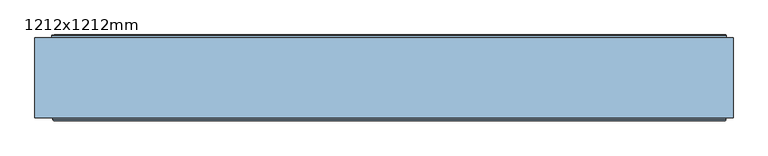
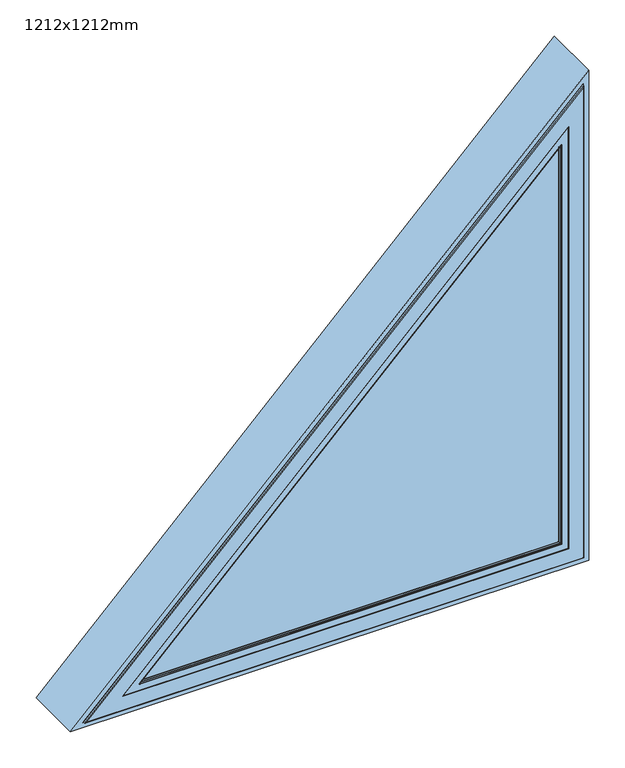
"""IFC4 building model written with IfcOpenShell, lengths in millimetres: window geometry, 1212x1212mm."""

from ifc_helpers import new_model, si_unit, frame, origin, place, context, project, spatial, polyline, ellipse_curve, outline, extrude, faceted_brep, source, transform, mapped, element, save
from ifc_brep_helpers import plane_surface, cylinder_surface, revolved_surface, advanced_brep


def window_1212x1212mm_28f95afa(model_context):
    return source(origin(), model_context, "Body", "SolidModel", [
        extrude(outline(polyline([(800.0, -606.0), (800.0, 606.0), (2012.0, 606.0), (800.0, -606.0)]), holes=[polyline([(812.0, -577.0294373), (1983.0294373, 594.0), (812.0, 594.0), (812.0, -577.0294373)])]), frame((0.0, -149.0000016, 0.0), z_axis=(0.0, 1.0, 0.0), x_axis=(0.0, 0.0, 1.0)), (0.0, 0.0, 1.0), 139.0),
        extrude(outline(polyline([(1892.5304063, 556.514074), (849.485926, -486.5304063), (849.485926, 556.514074), (1892.5304063, 556.514074)])), frame((0.0, -146.5000019, 0.0), z_axis=(0.0, 1.0, 0.0), x_axis=(0.0, 0.0, 1.0)), (0.0, 0.0, 1.0), 28.0000001),
        advanced_brep(
        [(-552.8873016, -6.5000014, 822.0), (584.0, -6.5000014, 822.0), (585.5, -5.0000014, 820.5), (-556.508622, -5.0000014, 820.5), (-552.8873016, -142.5000016, 822.0), (584.0, -142.5000016, 822.0), (-577.0294373, -6.5000014, 812.0), (594.0, -6.5000014, 812.0), (594.0, -142.5000016, 812.0), (-577.0294373, -142.5000016, 812.0), (-573.4081169, -5.0000014, 813.5), (592.5, -5.0000014, 813.5), (584.0, -6.5000014, 1958.8873016), (585.5, -5.0000014, 1962.508622), (584.0, -142.5000016, 1958.8873016), (594.0, -6.5000014, 1983.0294373), (594.0, -142.5000016, 1983.0294373), (592.5, -5.0000014, 1979.4081169)],
        [
            (0, 1),
            (1, 2, ellipse_curve(frame((585.5, -6.5000014, 820.5), z_axis=(-0.7071067811865475, 0.0, -0.7071067811865475), x_axis=(-0.7071067811865476, 0.0, 0.7071067811865474)), 2.1213203, 1.5)),
            (2, 3),
            (3, 0, ellipse_curve(frame((-556.508622, -6.5000014, 820.5), z_axis=(0.3826834323650913, 0.0, -0.9238795325112863), x_axis=(-0.9238795325112862, 0.0, -0.38268343236509134)), 3.9196889, 1.5)),
            (4, 5),
            (5, 1),
            (0, 4),
            (6, 7),
            (7, 8),
            (8, 9),
            (9, 6),
            (10, 11),
            (11, 7, ellipse_curve(frame((592.5, -6.5000014, 813.5), z_axis=(-0.7071067811865475, 0.0, -0.7071067811865475), x_axis=(-0.7071067811865476, 0.0, 0.7071067811865474)), 2.1213203, 1.5)),
            (6, 10, ellipse_curve(frame((-573.4081169, -6.5000014, 813.5), z_axis=(0.3826834323650913, 0.0, -0.9238795325112863), x_axis=(-0.9238795325112862, 0.0, -0.38268343236509134)), 3.9196889, 1.5)),
            (1, 12),
            (12, 13, ellipse_curve(frame((585.5, -6.5000014, 1962.508622), z_axis=(0.9238795325112876, 0.0, -0.3826834323650882), x_axis=(-0.3826834323650883, 0.0, -0.9238795325112873)), 3.9196889, 1.5)),
            (13, 2),
            (5, 14),
            (14, 12),
            (7, 15),
            (15, 16),
            (16, 8),
            (11, 17),
            (17, 15, ellipse_curve(frame((592.5, -6.5000014, 1979.4081169), z_axis=(0.9238795325112876, 0.0, -0.3826834323650882), x_axis=(-0.3826834323650883, 0.0, -0.9238795325112873)), 3.9196889, 1.5)),
            (12, 0),
            (3, 13),
            (14, 4),
            (16, 9),
            (15, 6),
            (17, 10),
        ],
        [
            cylinder_surface(frame((-577.0294373, -6.5000014, 820.5), z_axis=(-1.0, 0.0, 0.0), x_axis=(0.0, 0.0, 1.0)), 1.5),
            plane_surface(frame((-552.8873016, -6.5000014, 822.0), z_axis=(0.0, 0.0, 1.0), x_axis=(1.0, 0.0, 0.0))),
            plane_surface(frame((-577.0294373, -142.5000016, 812.0), z_axis=(0.0, 0.0, -1.0), x_axis=(1.0, 0.0, 0.0))),
            cylinder_surface(frame((-577.0294373, -6.5000014, 813.5), z_axis=(-1.0, 0.0, 0.0), x_axis=(0.0, 0.0, 1.0)), 1.5),
            cylinder_surface(frame((585.5, -6.5000014, 812.0), z_axis=(0.0, 0.0, -1.0), x_axis=(-1.0, 0.0, 0.0)), 1.5),
            plane_surface(frame((584.0, -6.5000014, 822.0), z_axis=(-1.0, 0.0, 0.0), x_axis=(0.0, 0.0, 1.0))),
            plane_surface(frame((594.0, -142.5000016, 812.0), z_axis=(1.0, 0.0, 0.0), x_axis=(0.0, 0.0, 1.0))),
            cylinder_surface(frame((592.5, -6.5000014, 812.0), z_axis=(0.0, 0.0, -1.0), x_axis=(-1.0, 0.0, 0.0)), 1.5),
            cylinder_surface(frame((600.0104076, -6.5000014, 1977.0190296), z_axis=(0.7071067811865454, 0.0, 0.70710678118655), x_axis=(0.70710678118655, 0.0, -0.7071067811865454)), 1.5),
            plane_surface(frame((584.0, -6.5000014, 1958.8873016), z_axis=(0.7071067811865497, 0.0, -0.7071067811865455), x_axis=(-0.7071067811865455, 0.0, -0.7071067811865497))),
            plane_surface(frame((584.0, -142.5000016, 1958.8873016), z_axis=(0.0, -1.0, 0.0), x_axis=(-0.7071067811865455, 0.0, -0.7071067811865497))),
            plane_surface(frame((594.0, -142.5000016, 1983.0294373), z_axis=(-0.7071067811865497, 0.0, 0.7071067811865455), x_axis=(-0.7071067811865455, 0.0, -0.7071067811865497))),
            cylinder_surface(frame((595.0606602, -6.5000014, 1981.9687771), z_axis=(0.7071067811865454, 0.0, 0.70710678118655), x_axis=(0.70710678118655, 0.0, -0.7071067811865454)), 1.5),
            plane_surface(frame((592.5, -5.0000014, 1979.4081169), z_axis=(0.0, 1.0000000000000002, 0.0), x_axis=(-0.7071067811865455, 0.0, -0.7071067811865496))),
        ],
        [
            (0, [[1, 2, 3, 4]]),
            (1, [[5, 6, -1, 7]]),
            (2, [[8, 9, 10, 11]]),
            (3, [[12, 13, -8, 14]]),
            (4, [[15, 16, 17, -2]]),
            (5, [[18, 19, -15, -6]]),
            (6, [[20, 21, 22, -9]]),
            (7, [[23, 24, -20, -13]]),
            (8, [[25, -4, 26, -16]]),
            (9, [[27, -7, -25, -19]]),
            (10, [[-10, -22, 28], [-27, -18, -5]]),
            (11, [[29, -11, -28, -21]]),
            (12, [[30, -14, -29, -24]]),
            (13, [[-30, -23, -12], [-3, -17, -26]]),
        ],
    ),
        faceted_brep([(-485.2893219, -142.5000017, 850.0), (556.0, -142.5000017, 850.0), (556.0, -118.5000018, 850.0), (-485.2893219, -118.5000018, 850.0), (-552.8873016, -63.3258286, 822.0), (584.0, -63.3258286, 822.0), (584.0, -142.5000017, 822.0), (-552.8873016, -142.5000017, 822.0), (-536.4706494, -59.5000018, 828.8), (577.2, -59.5000018, 828.8), (577.2, -63.3258286, 828.8), (-536.4706494, -63.3258286, 828.8), (-432.1766235, -118.5000018, 872.0), (534.0, -118.5000018, 872.0), (534.0, -59.5000018, 872.0), (-432.1766235, -59.5000018, 872.0), (556.0, -142.5000017, 1891.2893219), (556.0, -118.5000018, 1891.2893219), (584.0, -63.3258286, 1958.8873016), (584.0, -142.5000017, 1958.8873016), (577.2, -59.5000018, 1942.4706494), (577.2, -63.3258286, 1942.4706494), (534.0, -118.5000018, 1838.1766235), (534.0, -59.5000018, 1838.1766235)], [[[0, 1, 2, 3]], [[4, 5, 6, 7]], [[8, 9, 10, 11]], [[12, 13, 14, 15]], [[1, 16, 17, 2]], [[5, 18, 19, 6]], [[9, 20, 21, 10]], [[13, 22, 23, 14]], [[16, 0, 3, 17]], [[7, 6, 19], [0, 16, 1]], [[18, 4, 7, 19]], [[4, 18, 5], [11, 10, 21]], [[20, 8, 11, 21]], [[8, 20, 9], [15, 14, 23]], [[22, 12, 15, 23]], [[3, 2, 17], [12, 22, 13]]]),
        advanced_brep(
        [(-574.6152236, -152.5000018, 813.0), (593.0, -152.5000018, 813.0), (591.5000001, -154.0000016, 814.4999999), (-570.9939036, -154.0000016, 814.4999999), (-574.6152236, -148.3866107, 813.0), (593.0, -148.3866107, 813.0), (-577.0294373, -142.5000017, 812.0), (594.0, -142.5000017, 812.0), (594.0, -148.3866107, 812.0), (-577.0294373, -148.3866107, 812.0), (-485.2893219, -146.5000019, 850.0), (556.0, -146.5000019, 850.0), (556.0, -142.5000017, 850.0), (-485.2893219, -142.5000017, 850.0), (-440.6728537, -147.4871074, 868.4807462), (537.5192538, -147.4871074, 868.4807462), (537.4938789, -146.5000019, 868.5061211), (-440.6115934, -146.5000019, 868.5061211), (-445.6871621, -148.7951832, 866.4037517), (539.5962483, -148.7951832, 866.4037517), (-446.6619048, -149.7544748, 866.0), (540.0, -149.7544748, 866.0), (-446.6619048, -153.0000016, 866.0), (540.0, -153.0000016, 866.0), (-447.8690117, -153.5000016, 865.5), (540.5, -153.5000016, 865.5), (-486.5304063, -154.0000016, 849.485926), (556.514074, -154.0000016, 849.485926), (555.8, -153.5000016, 850.2), (-484.8064792, -153.5000016, 850.2), (593.0, -152.5000018, 1980.6152236), (591.5000001, -154.0000016, 1976.9939036), (593.0, -148.3866107, 1980.6152236), (594.0, -142.5000017, 1983.0294373), (594.0, -148.3866107, 1983.0294373), (556.0, -146.5000019, 1891.2893219), (556.0, -142.5000017, 1891.2893219), (537.5192538, -147.4871074, 1846.6728537), (537.4938789, -146.5000019, 1846.6115934), (539.5962483, -148.7951832, 1851.6871621), (540.0, -149.7544748, 1852.6619048), (540.0, -153.0000016, 1852.6619048), (540.5, -153.5000016, 1853.8690117), (556.514074, -154.0000016, 1892.5304063), (555.8, -153.5000016, 1890.8064792)],
        [
            (0, 1),
            (1, 2, ellipse_curve(frame((591.5000001, -152.5000018, 814.4999999), z_axis=(-0.7071067811865475, 0.0, -0.7071067811865475), x_axis=(-0.7071067811865476, 0.0, 0.7071067811865474)), 2.1213201, 1.4999998)),
            (2, 3),
            (3, 0, ellipse_curve(frame((-570.9939036, -152.5000018, 814.4999999), z_axis=(0.3826834323650913, 0.0, -0.9238795325112863), x_axis=(-0.9238795325112862, 0.0, -0.38268343236509134)), 3.9196885, 1.4999998)),
            (4, 5),
            (5, 1),
            (0, 4),
            (6, 7),
            (7, 8),
            (8, 9),
            (9, 6),
            (10, 11),
            (11, 12),
            (12, 13),
            (13, 10),
            (14, 15),
            (15, 16, ellipse_curve(frame((537.4938789, -146.9938808, 868.5061211), z_axis=(-0.7071067811865475, 0.0, -0.7071067811865475), x_axis=(-0.7071067811865476, 0.0, 0.7071067811865474)), 0.6984503, 0.4938789)),
            (16, 17),
            (17, 14, ellipse_curve(frame((-440.6115934, -146.9938808, 868.5061211), z_axis=(0.3826834323650913, 0.0, -0.9238795325112863), x_axis=(-0.9238795325112862, 0.0, -0.38268343236509134)), 1.2905678, 0.4938789)),
            (18, 19),
            (19, 15, ellipse_curve(frame((537.6227187, -149.6258125, 868.3772813), z_axis=(0.7071067811865475, 0.0, 0.7071067811865475), x_axis=(0.7071067811865476, 0.0, -0.7071067811865474)), 3.028123, 2.1412063)),
            (14, 18, ellipse_curve(frame((-440.9226401, -149.6258125, 868.3772813), z_axis=(-0.3826834323650913, 0.0, 0.9238795325112863), x_axis=(0.9238795325112862, 0.0, 0.38268343236509134)), 5.5952417, 2.1412063)),
            (20, 21),
            (21, 19),
            (18, 20),
            (22, 23),
            (23, 21),
            (20, 22),
            (24, 25),
            (25, 23, ellipse_curve(frame((540.5, -153.0000016, 865.5), z_axis=(-0.7071067811865475, 0.0, -0.7071067811865475), x_axis=(-0.7071067811865476, 0.0, 0.7071067811865474)), 0.7071068, 0.5)),
            (22, 24, ellipse_curve(frame((-447.8690117, -153.0000016, 865.5), z_axis=(0.3826834323650913, 0.0, -0.9238795325112863), x_axis=(-0.9238795325112862, 0.0, -0.38268343236509134)), 1.3065631, 0.5)),
            (26, 27),
            (27, 28),
            (28, 29),
            (29, 26),
            (1, 30),
            (30, 31, ellipse_curve(frame((591.5000001, -152.5000018, 1976.9939036), z_axis=(0.9238795325112876, 0.0, -0.3826834323650882), x_axis=(-0.3826834323650883, 0.0, -0.9238795325112873)), 3.9196885, 1.4999998)),
            (31, 2),
            (5, 32),
            (32, 30),
            (7, 33),
            (33, 34),
            (34, 8),
            (11, 35),
            (35, 36),
            (36, 12),
            (15, 37),
            (37, 38, ellipse_curve(frame((537.4938789, -146.9938808, 1846.6115934), z_axis=(0.9238795325112876, 0.0, -0.3826834323650882), x_axis=(-0.3826834323650883, 0.0, -0.9238795325112873)), 1.2905678, 0.4938789)),
            (38, 16),
            (19, 39),
            (39, 37, ellipse_curve(frame((537.6227187, -149.6258125, 1846.9226401), z_axis=(-0.9238795325112876, 0.0, 0.3826834323650882), x_axis=(0.3826834323650883, 0.0, 0.9238795325112873)), 5.5952417, 2.1412063)),
            (21, 40),
            (40, 39),
            (23, 41),
            (41, 40),
            (25, 42),
            (42, 41, ellipse_curve(frame((540.5, -153.0000016, 1853.8690117), z_axis=(0.9238795325112876, 0.0, -0.3826834323650882), x_axis=(-0.3826834323650883, 0.0, -0.9238795325112873)), 1.3065631, 0.5)),
            (27, 43),
            (43, 44),
            (44, 28),
            (31, 3),
            (26, 43),
            (30, 0),
            (32, 4),
            (34, 9),
            (33, 6),
            (36, 13),
            (35, 10),
            (38, 17),
            (37, 14),
            (39, 18),
            (40, 20),
            (41, 22),
            (42, 24),
            (44, 29),
        ],
        [
            cylinder_surface(frame((-577.0294373, -152.5000018, 814.4999999), z_axis=(-1.0, 0.0, 0.0), x_axis=(0.0, 0.0, 1.0)), 1.4999998),
            plane_surface(frame((-574.6152236, -152.5000018, 813.0), z_axis=(0.0, 0.0, -1.0), x_axis=(1.0, 0.0, 0.0))),
            plane_surface(frame((-577.0294373, -148.3866107, 812.0), z_axis=(0.0, 0.0, -1.0), x_axis=(1.0, 0.0, 0.0))),
            plane_surface(frame((-485.2893219, -142.5000017, 850.0), z_axis=(0.0, 0.0, 1.0), x_axis=(1.0, 0.0, 0.0))),
            cylinder_surface(frame((-577.0294373, -146.9938808, 868.5061211), z_axis=(-1.0, 0.0, 0.0), x_axis=(0.0, 0.0, 1.0)), 0.4938789),
            revolved_surface(polyline([(539.7639250075671, -149.6258125, 870.5184876000001), (-446.0919693860837, -149.6258125, 870.5184876000001)]), (-577.0294373, -149.6258125, 868.3772813), (1.0, 0.0, 0.0)),
            plane_surface(frame((-445.6871621, -148.7951832, 866.4037517), z_axis=(0.0, -0.3879258853298971, 0.9216905703602569), x_axis=(1.0, 0.0, 0.0))),
            plane_surface(frame((-446.6619048, -149.7544748, 866.0), z_axis=(0.0, 0.0, 1.0), x_axis=(1.0, 0.0, 0.0))),
            cylinder_surface(frame((-577.0294373, -153.0000016, 865.5), z_axis=(-1.0, 0.0, 0.0), x_axis=(0.0, 0.0, 1.0)), 0.5),
            plane_surface(frame((-484.8064792, -153.5000016, 850.2), z_axis=(0.0, -0.8191520442890284, 0.5735764363509938), x_axis=(1.0, 0.0, 0.0))),
            cylinder_surface(frame((591.5000001, -152.5000018, 812.0), z_axis=(0.0, 0.0, -1.0), x_axis=(-1.0, 0.0, 0.0)), 1.4999998),
            plane_surface(frame((593.0, -152.5000018, 813.0), z_axis=(1.0, 0.0, 0.0), x_axis=(0.0, 0.0, 1.0))),
            plane_surface(frame((594.0, -148.3866107, 812.0), z_axis=(1.0, 0.0, 0.0), x_axis=(0.0, 0.0, 1.0))),
            plane_surface(frame((556.0, -142.5000017, 850.0), z_axis=(-1.0, 0.0, 0.0), x_axis=(0.0, 0.0, 1.0))),
            cylinder_surface(frame((537.4938789, -146.9938808, 812.0), z_axis=(0.0, 0.0, -1.0), x_axis=(-1.0, 0.0, 0.0)), 0.4938789),
            revolved_surface(polyline([(535.4815123999999, -149.6258125, 1852.0919693860837), (535.4815123999999, -149.6258125, 866.2360749924331)]), (537.6227187, -149.6258125, 812.0), (0.0, 0.0, 1.0)),
            plane_surface(frame((539.5962483, -148.7951832, 866.4037517), z_axis=(-0.9216905703602557, -0.3879258853299001, 0.0), x_axis=(0.0, 0.0, 1.0))),
            plane_surface(frame((540.0, -149.7544748, 866.0), z_axis=(-1.0, 0.0, 0.0), x_axis=(0.0, 0.0, 1.0))),
            cylinder_surface(frame((540.5, -153.0000016, 812.0), z_axis=(0.0, 0.0, -1.0), x_axis=(-1.0, 0.0, 0.0)), 0.5),
            plane_surface(frame((555.8, -153.5000016, 850.2), z_axis=(-0.5735764363509911, -0.8191520442890303, 0.0), x_axis=(0.0, 0.0, 1.0))),
            plane_surface(frame((556.514074, -154.0000016, 1892.5304063), z_axis=(0.0, -1.0, 0.0), x_axis=(-0.7071067811865455, 0.0, -0.7071067811865497))),
            cylinder_surface(frame((595.7677669, -152.5000018, 1981.2616704), z_axis=(0.7071067811865454, 0.0, 0.70710678118655), x_axis=(0.70710678118655, 0.0, -0.7071067811865454)), 1.4999998),
            plane_surface(frame((593.0, -152.5000018, 1980.6152236), z_axis=(-0.7071067811865497, 0.0, 0.7071067811865454), x_axis=(-0.7071067811865454, 0.0, -0.7071067811865497))),
            plane_surface(frame((593.0, -148.3866107, 1980.6152236), z_axis=(0.0, -1.0, 0.0), x_axis=(-0.7071067811865455, 0.0, -0.7071067811865497))),
            plane_surface(frame((594.0, -148.3866107, 1983.0294373), z_axis=(-0.7071067811865497, 0.0, 0.7071067811865455), x_axis=(-0.7071067811865455, 0.0, -0.7071067811865497))),
            plane_surface(frame((594.0, -142.5000017, 1983.0294373), z_axis=(0.0, 1.0000000000000002, 0.0), x_axis=(-0.7071067811865454, 0.0, -0.7071067811865498))),
            plane_surface(frame((556.0, -142.5000017, 1891.2893219), z_axis=(0.7071067811865498, 0.0, -0.7071067811865454), x_axis=(-0.7071067811865454, 0.0, -0.7071067811865498))),
            plane_surface(frame((556.0, -146.5000019, 1891.2893219), z_axis=(0.0, 1.0, 0.0), x_axis=(-0.7071067811865455, 0.0, -0.7071067811865497))),
            cylinder_surface(frame((633.9558614, -146.9938808, 1943.0735759), z_axis=(0.7071067811865454, 0.0, 0.70710678118655), x_axis=(0.70710678118655, 0.0, -0.7071067811865454)), 0.4938789),
            revolved_surface(polyline([(-443.0638463977234, -149.6258125, 863.2079520129707), (542.7920479870256, -149.6258125, 1849.0638463977264)]), (633.8647579, -149.6258125, 1943.1646793), (-0.7071067811865454, 0.0, -0.70710678118655)),
            plane_surface(frame((539.5962483, -148.7951832, 1851.6871621), z_axis=(0.6517336524574375, -0.38792588532989514, -0.6517336524574323), x_axis=(-0.7071067811865455, 0.0, -0.7071067811865496))),
            plane_surface(frame((540.0, -149.7544748, 1852.6619048), z_axis=(0.7071067811865497, 0.0, -0.7071067811865454), x_axis=(-0.7071067811865454, 0.0, -0.7071067811865497))),
            cylinder_surface(frame((631.8302128, -153.0000016, 1945.1992245), z_axis=(0.7071067811865454, 0.0, 0.70710678118655), x_axis=(0.70710678118655, 0.0, -0.7071067811865454)), 0.5),
            plane_surface(frame((540.5, -153.5000016, 1853.8690117), z_axis=(0.0, -1.0, 0.0), x_axis=(-0.7071067811865455, 0.0, -0.7071067811865497))),
            plane_surface(frame((555.8, -153.5000016, 1890.8064792), z_axis=(0.40557978767260566, -0.8191520442890274, -0.4055797876726006), x_axis=(-0.7071067811865455, 0.0, -0.7071067811865497))),
        ],
        [
            (0, [[1, 2, 3, 4]]),
            (1, [[5, 6, -1, 7]]),
            (2, [[8, 9, 10, 11]]),
            (3, [[12, 13, 14, 15]]),
            (4, [[16, 17, 18, 19]]),
            (5, [[20, 21, -16, 22]]),
            (6, [[23, 24, -20, 25]]),
            (7, [[26, 27, -23, 28]]),
            (8, [[29, 30, -26, 31]]),
            (9, [[32, 33, 34, 35]]),
            (10, [[36, 37, 38, -2]]),
            (11, [[39, 40, -36, -6]]),
            (12, [[41, 42, 43, -9]]),
            (13, [[44, 45, 46, -13]]),
            (14, [[47, 48, 49, -17]]),
            (15, [[50, 51, -47, -21]]),
            (16, [[52, 53, -50, -24]]),
            (17, [[54, 55, -52, -27]]),
            (18, [[56, 57, -54, -30]]),
            (19, [[58, 59, 60, -33]]),
            (20, [[-3, -38, 61], [62, -58, -32]]),
            (21, [[63, -4, -61, -37]]),
            (22, [[64, -7, -63, -40]]),
            (23, [[-10, -43, 65], [-64, -39, -5]]),
            (24, [[66, -11, -65, -42]]),
            (25, [[-66, -41, -8], [-14, -46, 67]]),
            (26, [[68, -15, -67, -45]]),
            (27, [[-68, -44, -12], [-18, -49, 69]]),
            (28, [[70, -19, -69, -48]]),
            (29, [[71, -22, -70, -51]]),
            (30, [[72, -25, -71, -53]]),
            (31, [[73, -28, -72, -55]]),
            (32, [[74, -31, -73, -57]]),
            (33, [[-34, -60, 75], [-74, -56, -29]]),
            (34, [[-62, -35, -75, -59]]),
        ],
    ),
    ])


if __name__ == "__main__":
    model = new_model("IFC4")
    model_context = context("Model", 3, world=origin())
    ifc_project = project(units=[si_unit("LENGTHUNIT", "METRE", prefix="MILLI")], contexts=[model_context])
    site = spatial("IfcSite", under=ifc_project)
    building = spatial("IfcBuilding", under=site)
    placement = place(None, origin())
    window_1212x1212mm_shape = window_1212x1212mm_28f95afa(model_context)
    element("IfcWindow", 1, ObjectType="1212x1212mm", at=placement, inside=building, context=model_context, shape_type="MappedRepresentation", body=[
        mapped(window_1212x1212mm_shape, transform((0.0, 0.0, 0.0), x_axis=(1.0, 0.0, 0.0), y_axis=(0.0, 1.0, 0.0), z_axis=(0.0, 0.0, 1.0))),
    ])
    save(model, "model.ifc")
